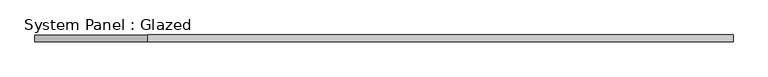
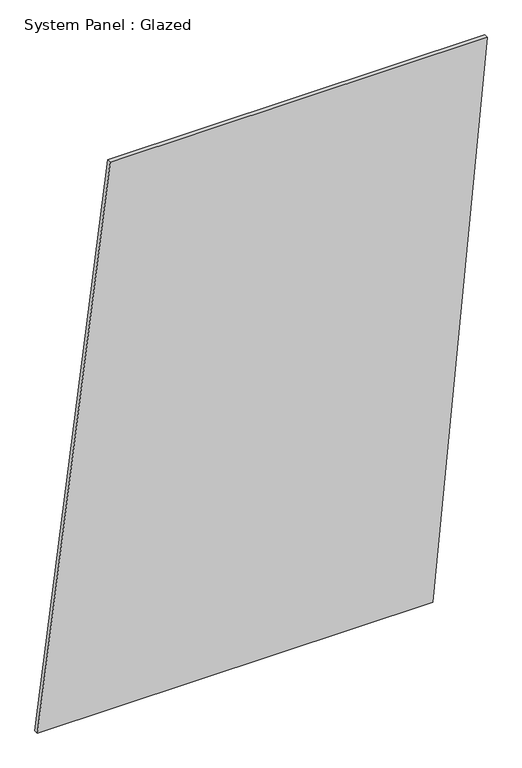
"""IFC4 building model written with IfcOpenShell, lengths in millimetres: plate geometry, System Panel : Glazed."""

from ifc_helpers import new_model, si_unit, frame, origin, place, context, project, spatial, polyline, outline, extrude, source, transform, mapped, element, save


def system_panel_glazed_d8a62ee8(model_context):
    return source(origin(), model_context, "Body", "SweptSolid", [
        extrude(outline(polyline([(0.0, -1298.2036794), (0.0, 983.3554132), (3337.7616575, 1298.2036794), (3337.7616575, -878.4059911), (0.0, -1298.2036794)])), frame((0.0, -49.5, 0.0), z_axis=(0.0, 1.0, 0.0), x_axis=(0.0, 0.0, 1.0)), (0.0, 0.0, 1.0), 25.0),
    ])


if __name__ == "__main__":
    model = new_model("IFC4")
    model_context = context("Model", 3, world=origin())
    ifc_project = project(units=[si_unit("LENGTHUNIT", "METRE", prefix="MILLI")], contexts=[model_context])
    site = spatial("IfcSite", under=ifc_project)
    building = spatial("IfcBuilding", under=site)
    placement = place(None, origin())
    system_panel_glazed_shape = system_panel_glazed_d8a62ee8(model_context)
    element("IfcPlate", 1, ObjectType="System Panel : Glazed", at=placement, inside=building, context=model_context, shape_type="MappedRepresentation", body=[
        mapped(system_panel_glazed_shape, transform((0.0, 0.0, 0.0), x_axis=(1.0, 0.0, 0.0), y_axis=(0.0, 1.0, 0.0), z_axis=(0.0, 0.0, 1.0))),
    ])
    save(model, "model.ifc")
